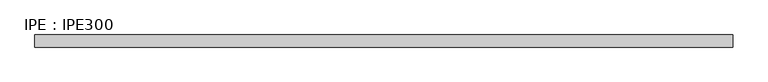
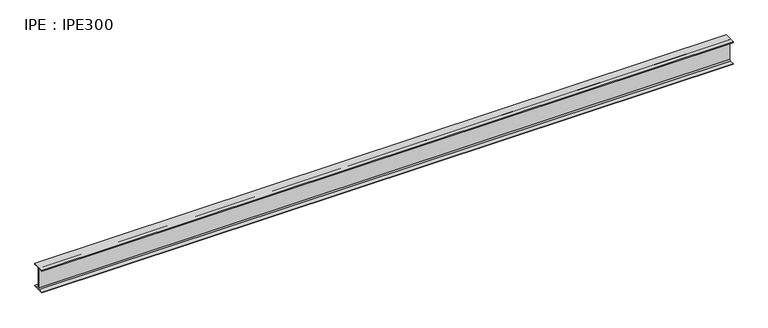
"""IFC4 building model written with IfcOpenShell, lengths in millimetres: beam geometry, IPE : IPE300."""

from ifc_helpers import new_model, si_unit, point, frame, frame_2d, origin, place, context, project, spatial, polyline, circle_curve, trimmed, segment, composite_curve, outline, extrude, source, transform, mapped, element, save


def ipe_ipe300_659af016(model_context):
    return source(origin(), model_context, "Body", "SweptSolid", [
        extrude(outline(composite_curve([segment(polyline([(75.0, -139.3), (75.0, -150.0), (-75.0, -150.0), (-75.0, -139.3), (-18.55, -139.3)]), True, "CONTINUOUS"), segment(trimmed(circle_curve(frame_2d((-18.55, -124.3)), 15.0), [point((-18.55, -139.3))], [point((-3.55, -124.3))], True, "CARTESIAN"), True, "CONTINUOUS"), segment(polyline([(-3.55, -124.3), (-3.55, 124.3)]), True, "CONTINUOUS"), segment(trimmed(circle_curve(frame_2d((-18.55, 124.3)), 15.0), [point((-3.55, 124.3))], [point((-18.55, 139.3))], True, "CARTESIAN"), True, "CONTINUOUS"), segment(polyline([(-18.55, 139.3), (-75.0, 139.3), (-75.0, 150.0), (75.0, 150.0), (75.0, 139.3), (18.55, 139.3)]), True, "CONTINUOUS"), segment(trimmed(circle_curve(frame_2d((18.55, 124.3)), 15.0), [point((18.55, 139.3))], [point((3.55, 124.3))], True, "CARTESIAN"), True, "CONTINUOUS"), segment(polyline([(3.55, 124.3), (3.55, -124.3)]), True, "CONTINUOUS"), segment(trimmed(circle_curve(frame_2d((18.55, -124.3)), 15.0), [point((3.55, -124.3))], [point((18.55, -139.3))], True, "CARTESIAN"), True, "CONTINUOUS"), segment(polyline([(18.55, -139.3), (75.0, -139.3)]), True, "CONTINUOUS")], self_intersect=False)), frame((-4250.95, 0.0, 0.0), z_axis=(1.0, 0.0, 0.0), x_axis=(0.0, 1.0, 0.0)), (0.0, 0.0, 1.0), 8652.3),
    ])


if __name__ == "__main__":
    model = new_model("IFC4")
    model_context = context("Model", 3, world=origin())
    ifc_project = project(units=[si_unit("LENGTHUNIT", "METRE", prefix="MILLI")], contexts=[model_context])
    site = spatial("IfcSite", under=ifc_project)
    building = spatial("IfcBuilding", under=site)
    placement = place(None, origin())
    ipe_ipe300_shape = ipe_ipe300_659af016(model_context)
    element("IfcBeam", 1, ObjectType="IPE : IPE300", at=placement, inside=building, context=model_context, shape_type="MappedRepresentation", body=[
        mapped(ipe_ipe300_shape, transform((0.0, 0.0, 0.0), x_axis=(1.0, 0.0, 0.0), y_axis=(0.0, 1.0, 0.0), z_axis=(0.0, 0.0, 1.0))),
    ])
    save(model, "model.ifc")
